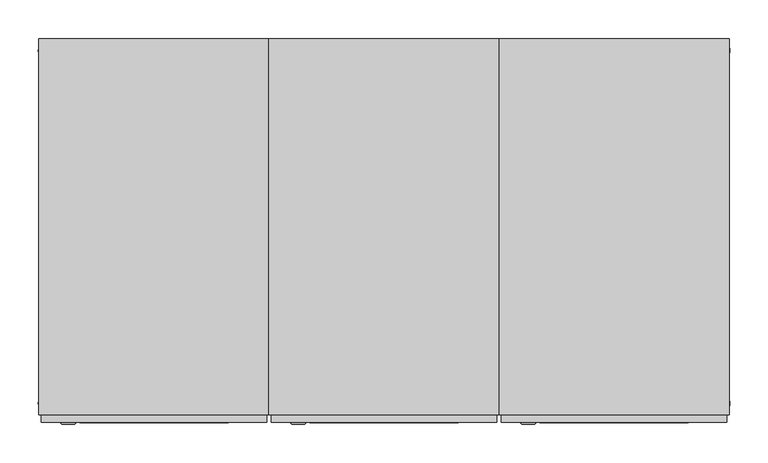
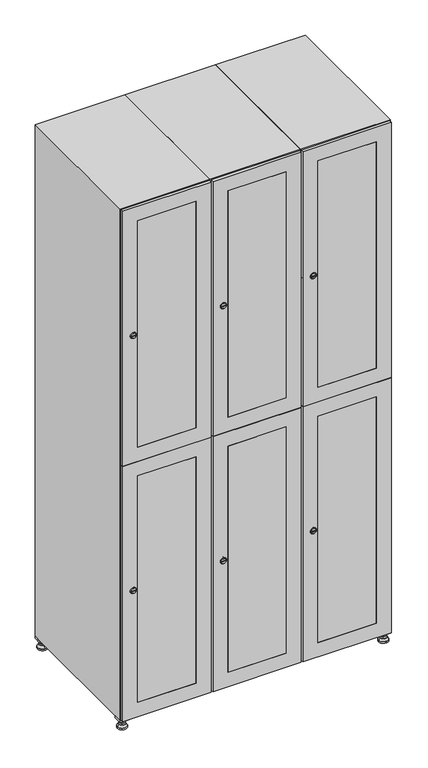
"""IFC4 building model written with IfcOpenShell, lengths in millimetres: furniture geometry."""

from ifc_helpers import new_model, si_unit, point, frame, frame_2d, origin, origin_with_axes, place, context, project, spatial, polyline, circle_curve, trimmed, segment, composite_curve, outline, extrude, faceted_brep, source, transform, mapped, element, save
from ifc_brep_helpers import plane_surface, revolved_surface, advanced_brep


def furniture_f2b403f9(model_context):
    return source(origin(), model_context, "Body", "SolidModel", [
        extrude(outline(polyline([(700.0, 245.0), (700.0, 215.0), (670.0, 215.0), (670.0, 245.0), (700.0, 245.0)]), holes=[polyline([(698.0, 243.0), (672.0, 243.0), (672.0, 217.0), (698.0, 217.0), (698.0, 243.0)])]), frame((0.0, 0.0, 28.5), z_axis=(0.0, 0.0, 1.0), x_axis=(1.0, 0.0, 0.0)), (0.0, 0.0, 1.0), 6.5),
        extrude(outline(polyline([(670.0, -245.0), (670.0, -215.0), (700.0, -215.0), (700.0, -245.0), (670.0, -245.0)]), holes=[polyline([(672.0, -243.0), (698.0, -243.0), (698.0, -217.0), (672.0, -217.0), (672.0, -243.0)])]), frame((0.0, 0.0, 28.5), z_axis=(0.0, 0.0, 1.0), x_axis=(1.0, 0.0, 0.0)), (0.0, 0.0, 1.0), 6.5),
        extrude(outline(polyline([(-170.0, 245.0), (-170.0, 215.0), (-200.0, 215.0), (-200.0, 245.0), (-170.0, 245.0)]), holes=[polyline([(-172.0, 243.0), (-198.0, 243.0), (-198.0, 217.0), (-172.0, 217.0), (-172.0, 243.0)])]), frame((0.0, 0.0, 28.5), z_axis=(0.0, 0.0, 1.0), x_axis=(1.0, 0.0, 0.0)), (0.0, 0.0, 1.0), 6.5),
        extrude(outline(polyline([(-170.0, -215.0), (-170.0, -245.0), (-200.0, -245.0), (-200.0, -215.0), (-170.0, -215.0)]), holes=[polyline([(-198.0, -243.0), (-172.0, -243.0), (-172.0, -217.0), (-198.0, -217.0), (-198.0, -243.0)])]), frame((0.0, 0.0, 28.5), z_axis=(0.0, 0.0, 1.0), x_axis=(1.0, 0.0, 0.0)), (0.0, 0.0, 1.0), 6.5),
        extrude(outline(composite_curve([segment(trimmed(circle_curve(frame_2d((-185.0, 230.0)), 5.0), [point((-180.0, 230.0))], [point((-190.0, 230.0))], False, "CARTESIAN"), True, "CONTINUOUS"), segment(trimmed(circle_curve(frame_2d((-185.0, 230.0)), 5.0), [point((-190.0, 230.0))], [point((-180.0, 230.0))], False, "CARTESIAN"), True, "CONTINUOUS")], self_intersect=False)), frame((0.0, 0.0, 19.6), z_axis=(0.0, 0.0, 1.0), x_axis=(1.0, 0.0, 0.0)), (0.0, 0.0, 1.0), 15.4),
        extrude(outline(composite_curve([segment(trimmed(circle_curve(frame_2d((-185.0, -230.0)), 5.0), [point((-180.0, -230.0))], [point((-190.0, -230.0))], False, "CARTESIAN"), True, "CONTINUOUS"), segment(trimmed(circle_curve(frame_2d((-185.0, -230.0)), 5.0), [point((-190.0, -230.0))], [point((-180.0, -230.0))], False, "CARTESIAN"), True, "CONTINUOUS")], self_intersect=False)), frame((0.0, 0.0, 19.6), z_axis=(0.0, 0.0, 1.0), x_axis=(1.0, 0.0, 0.0)), (0.0, 0.0, 1.0), 15.4),
        extrude(outline(composite_curve([segment(trimmed(circle_curve(frame_2d((685.0, 230.0)), 5.0), [point((690.0, 230.0))], [point((680.0, 230.0))], False, "CARTESIAN"), True, "CONTINUOUS"), segment(trimmed(circle_curve(frame_2d((685.0, 230.0)), 5.0), [point((680.0, 230.0))], [point((690.0, 230.0))], False, "CARTESIAN"), True, "CONTINUOUS")], self_intersect=False)), frame((0.0, 0.0, 19.6), z_axis=(0.0, 0.0, 1.0), x_axis=(1.0, 0.0, 0.0)), (0.0, 0.0, 1.0), 15.4),
        extrude(outline(polyline([(673.4529946, 230.0), (679.2264973, 240.0), (690.7735027, 240.0), (696.5470054, 230.0), (690.7735027, 220.0), (679.2264973, 220.0), (673.4529946, 230.0)])), frame((0.0, 0.0, 13.6), z_axis=(0.0, 0.0, 1.0), x_axis=(1.0, 0.0, 0.0)), (0.0, 0.0, 1.0), 6.0),
        extrude(outline(composite_curve([segment(trimmed(circle_curve(frame_2d((685.0, -230.0)), 5.0), [point((690.0, -230.0))], [point((680.0, -230.0))], False, "CARTESIAN"), True, "CONTINUOUS"), segment(trimmed(circle_curve(frame_2d((685.0, -230.0)), 5.0), [point((680.0, -230.0))], [point((690.0, -230.0))], False, "CARTESIAN"), True, "CONTINUOUS")], self_intersect=False)), frame((0.0, 0.0, 19.6), z_axis=(0.0, 0.0, 1.0), x_axis=(1.0, 0.0, 0.0)), (0.0, 0.0, 1.0), 15.4),
        extrude(outline(polyline([(673.4529946, -230.0), (679.2264973, -220.0), (690.7735027, -220.0), (696.5470054, -230.0), (690.7735027, -240.0), (679.2264973, -240.0), (673.4529946, -230.0)])), frame((0.0, 0.0, 13.6), z_axis=(0.0, 0.0, 1.0), x_axis=(1.0, 0.0, 0.0)), (0.0, 0.0, 1.0), 6.0),
        extrude(outline(composite_curve([segment(trimmed(circle_curve(frame_2d((685.0, 230.0)), 5.0), [point((690.0, 230.0))], [point((680.0, 230.0))], False, "CARTESIAN"), True, "CONTINUOUS"), segment(trimmed(circle_curve(frame_2d((685.0, 230.0)), 5.0), [point((680.0, 230.0))], [point((690.0, 230.0))], False, "CARTESIAN"), True, "CONTINUOUS")], self_intersect=False)), frame((0.0, 0.0, 12.1), z_axis=(0.0, 0.0, 1.0), x_axis=(1.0, 0.0, 0.0)), (0.0, 0.0, 1.0), 1.5),
        extrude(outline(composite_curve([segment(trimmed(circle_curve(frame_2d((685.0, -230.0)), 5.0), [point((690.0, -230.0))], [point((680.0, -230.0))], False, "CARTESIAN"), True, "CONTINUOUS"), segment(trimmed(circle_curve(frame_2d((685.0, -230.0)), 5.0), [point((680.0, -230.0))], [point((690.0, -230.0))], False, "CARTESIAN"), True, "CONTINUOUS")], self_intersect=False)), frame((0.0, 0.0, 12.1), z_axis=(0.0, 0.0, 1.0), x_axis=(1.0, 0.0, 0.0)), (0.0, 0.0, 1.0), 1.5),
        extrude(outline(polyline([(-196.5470054, 230.0), (-190.7735027, 240.0), (-179.2264973, 240.0), (-173.4529946, 230.0), (-179.2264973, 220.0), (-190.7735027, 220.0), (-196.5470054, 230.0)])), frame((0.0, 0.0, 13.6), z_axis=(0.0, 0.0, 1.0), x_axis=(1.0, 0.0, 0.0)), (0.0, 0.0, 1.0), 6.0),
        extrude(outline(polyline([(-196.5470054, -230.0), (-190.7735027, -220.0), (-179.2264973, -220.0), (-173.4529946, -230.0), (-179.2264973, -240.0), (-190.7735027, -240.0), (-196.5470054, -230.0)])), frame((0.0, 0.0, 13.6), z_axis=(0.0, 0.0, 1.0), x_axis=(1.0, 0.0, 0.0)), (0.0, 0.0, 1.0), 6.0),
        extrude(outline(composite_curve([segment(trimmed(circle_curve(frame_2d((-185.0, 230.0)), 5.0), [point((-185.0, 235.0))], [point((-185.0, 225.0))], False, "CARTESIAN"), True, "CONTINUOUS"), segment(trimmed(circle_curve(frame_2d((-185.0, 230.0)), 5.0), [point((-185.0, 225.0))], [point((-185.0, 235.0))], False, "CARTESIAN"), True, "CONTINUOUS")], self_intersect=False)), frame((0.0, 0.0, 12.1), z_axis=(0.0, 0.0, 1.0), x_axis=(1.0, 0.0, 0.0)), (0.0, 0.0, 1.0), 1.5),
        extrude(outline(composite_curve([segment(trimmed(circle_curve(frame_2d((-185.0, -230.0)), 5.0), [point((-180.0, -230.0))], [point((-190.0, -230.0))], False, "CARTESIAN"), True, "CONTINUOUS"), segment(trimmed(circle_curve(frame_2d((-185.0, -230.0)), 5.0), [point((-190.0, -230.0))], [point((-180.0, -230.0))], False, "CARTESIAN"), True, "CONTINUOUS")], self_intersect=False)), frame((0.0, 0.0, 12.1), z_axis=(0.0, 0.0, 1.0), x_axis=(1.0, 0.0, 0.0)), (0.0, 0.0, 1.0), 1.5),
        extrude(outline(composite_curve([segment(trimmed(circle_curve(frame_2d((685.0, 230.0)), 15.75), [point((700.75, 230.0))], [point((669.25, 230.0))], False, "CARTESIAN"), True, "CONTINUOUS"), segment(trimmed(circle_curve(frame_2d((685.0, 230.0)), 15.75), [point((669.25, 230.0))], [point((700.75, 230.0))], False, "CARTESIAN"), True, "CONTINUOUS")], self_intersect=False)), origin_with_axes(), (0.0, 0.0, 1.0), 5.1),
        extrude(outline(composite_curve([segment(trimmed(circle_curve(frame_2d((685.0, -230.0)), 15.75), [point((685.0, -214.25))], [point((685.0, -245.75))], False, "CARTESIAN"), True, "CONTINUOUS"), segment(trimmed(circle_curve(frame_2d((685.0, -230.0)), 15.75), [point((685.0, -245.75))], [point((685.0, -214.25))], False, "CARTESIAN"), True, "CONTINUOUS")], self_intersect=False)), origin_with_axes(), (0.0, 0.0, 1.0), 5.1),
        extrude(outline(composite_curve([segment(trimmed(circle_curve(frame_2d((-185.0, -230.0)), 15.75), [point((-169.25, -230.0))], [point((-200.75, -230.0))], False, "CARTESIAN"), True, "CONTINUOUS"), segment(trimmed(circle_curve(frame_2d((-185.0, -230.0)), 15.75), [point((-200.75, -230.0))], [point((-169.25, -230.0))], False, "CARTESIAN"), True, "CONTINUOUS")], self_intersect=False)), origin_with_axes(), (0.0, 0.0, 1.0), 5.1),
        extrude(outline(composite_curve([segment(trimmed(circle_curve(frame_2d((-185.0, 230.0)), 15.75), [point((-169.25, 230.0))], [point((-200.75, 230.0))], False, "CARTESIAN"), True, "CONTINUOUS"), segment(trimmed(circle_curve(frame_2d((-185.0, 230.0)), 15.75), [point((-200.75, 230.0))], [point((-169.25, 230.0))], False, "CARTESIAN"), True, "CONTINUOUS")], self_intersect=False)), origin_with_axes(), (0.0, 0.0, 1.0), 5.1),
        advanced_brep(
        [(-185.0, 239.5, 12.1), (-185.0, 220.5, 12.1), (-185.0, 214.25, 5.1), (-185.0, 245.75, 5.1)],
        [
            (0, 1, circle_curve(frame((-185.0, 230.0, 12.1), z_axis=(0.0, 0.0, -1.0), x_axis=(0.0, 1.0, 0.0)), 9.5)),
            (1, 2),
            (2, 3, circle_curve(frame((-185.0, 230.0, 5.1), z_axis=(0.0, 0.0, 1.0), x_axis=(0.0, 1.0, 0.0)), 15.75)),
            (3, 0),
            (1, 0, circle_curve(frame((-185.0, 230.0, 12.1), z_axis=(0.0, 0.0, -1.0), x_axis=(0.0, -1.0, 0.0)), 9.5)),
            (3, 2, circle_curve(frame((-185.0, 230.0, 5.1), z_axis=(0.0, 0.0, 1.0), x_axis=(0.0, -1.0, 0.0)), 15.75)),
        ],
        [
            revolved_surface(polyline([(-185.0, 220.5, 12.099999999999998), (-185.0, 214.25, 5.099999999999998)]), (-185.0, 230.0, 22.74), (0.0, 0.0, -1.0)),
            revolved_surface(polyline([(-185.0, 239.5, 12.099999999999998), (-185.0, 245.75, 5.099999999999998)]), (-185.0, 230.0, 22.74), (0.0, 0.0, -1.0)),
            plane_surface(frame((-185.0, 230.0, 5.1), z_axis=(0.0, 0.0, -1.0), x_axis=(1.0, 0.0, 0.0))),
            plane_surface(frame((-185.0, 230.0, 12.1), z_axis=(0.0, 0.0, 1.0), x_axis=(1.0, 0.0, 0.0))),
        ],
        [
            (0, [[1, 2, 3, 4]]),
            (1, [[5, -4, 6, -2]]),
            (2, [[-3, -6]]),
            (3, [[-5, -1]]),
        ],
    ),
        advanced_brep(
        [(685.0, 239.5, 12.1), (685.0, 220.5, 12.1), (685.0, 214.25, 5.1), (685.0, 245.75, 5.1)],
        [
            (0, 1, circle_curve(frame((685.0, 230.0, 12.1), z_axis=(0.0, 0.0, -1.0), x_axis=(0.0, 1.0, 0.0)), 9.5)),
            (1, 2),
            (2, 3, circle_curve(frame((685.0, 230.0, 5.1), z_axis=(0.0, 0.0, 1.0), x_axis=(0.0, 1.0, 0.0)), 15.75)),
            (3, 0),
            (1, 0, circle_curve(frame((685.0, 230.0, 12.1), z_axis=(0.0, 0.0, -1.0), x_axis=(0.0, -1.0, 0.0)), 9.5)),
            (3, 2, circle_curve(frame((685.0, 230.0, 5.1), z_axis=(0.0, 0.0, 1.0), x_axis=(0.0, -1.0, 0.0)), 15.75)),
        ],
        [
            revolved_surface(polyline([(685.0, 220.5, 12.099999999999998), (685.0, 214.25, 5.099999999999998)]), (685.0, 230.0, 22.74), (0.0, 0.0, -1.0)),
            revolved_surface(polyline([(685.0, 239.5, 12.099999999999998), (685.0, 245.75, 5.099999999999998)]), (685.0, 230.0, 22.74), (0.0, 0.0, -1.0)),
            plane_surface(frame((685.0, 230.0, 5.1), z_axis=(0.0, 0.0, -1.0), x_axis=(1.0, 0.0, 0.0))),
            plane_surface(frame((685.0, 230.0, 12.1), z_axis=(0.0, 0.0, 1.0), x_axis=(1.0, 0.0, 0.0))),
        ],
        [
            (0, [[1, 2, 3, 4]]),
            (1, [[5, -4, 6, -2]]),
            (2, [[-3, -6]]),
            (3, [[-5, -1]]),
        ],
    ),
        advanced_brep(
        [(700.75, -230.0, 5.1), (669.25, -230.0, 5.1), (675.5, -230.0, 12.1), (694.5, -230.0, 12.1)],
        [
            (0, 1, circle_curve(frame((685.0, -230.0, 5.1), z_axis=(0.0, 0.0, 1.0), x_axis=(1.0, 0.0, 0.0)), 15.75)),
            (1, 2),
            (2, 3, circle_curve(frame((685.0, -230.0, 12.1), z_axis=(0.0, 0.0, -1.0), x_axis=(1.0, 0.0, 0.0)), 9.5)),
            (3, 0),
            (1, 0, circle_curve(frame((685.0, -230.0, 5.1), z_axis=(0.0, 0.0, 1.0), x_axis=(-1.0, 0.0, 0.0)), 15.75)),
            (3, 2, circle_curve(frame((685.0, -230.0, 12.1), z_axis=(0.0, 0.0, -1.0), x_axis=(-1.0, 0.0, 0.0)), 9.5)),
        ],
        [
            revolved_surface(polyline([(694.5, -230.0, 12.099999999999998), (700.75, -230.0, 5.099999999999998)]), (685.0, -230.0, 22.74), (0.0, 0.0, -1.0)),
            revolved_surface(polyline([(675.5, -230.0, 12.099999999999998), (669.25, -230.0, 5.099999999999998)]), (685.0, -230.0, 22.74), (0.0, 0.0, -1.0)),
            plane_surface(frame((685.0, -230.0, 12.1), z_axis=(0.0, 0.0, 1.0), x_axis=(0.0, 1.0, 0.0))),
            plane_surface(frame((685.0, -230.0, 5.1), z_axis=(0.0, 0.0, -1.0), x_axis=(0.0, 1.0, 0.0))),
        ],
        [
            (0, [[1, 2, 3, 4]]),
            (1, [[5, -4, 6, -2]]),
            (2, [[-3, -6]]),
            (3, [[-5, -1]]),
        ],
    ),
        advanced_brep(
        [(-169.25, -230.0, 5.1), (-200.75, -230.0, 5.1), (-194.5, -230.0, 12.1), (-175.5, -230.0, 12.1)],
        [
            (0, 1, circle_curve(frame((-185.0, -230.0, 5.1), z_axis=(0.0, 0.0, 1.0), x_axis=(1.0, 0.0, 0.0)), 15.75)),
            (1, 2),
            (2, 3, circle_curve(frame((-185.0, -230.0, 12.1), z_axis=(0.0, 0.0, -1.0), x_axis=(1.0, 0.0, 0.0)), 9.5)),
            (3, 0),
            (1, 0, circle_curve(frame((-185.0, -230.0, 5.1), z_axis=(0.0, 0.0, 1.0), x_axis=(-1.0, 0.0, 0.0)), 15.75)),
            (3, 2, circle_curve(frame((-185.0, -230.0, 12.1), z_axis=(0.0, 0.0, -1.0), x_axis=(-1.0, 0.0, 0.0)), 9.5)),
        ],
        [
            revolved_surface(polyline([(-175.5, -230.0, 12.099999999999998), (-169.25, -230.0, 5.099999999999998)]), (-185.0, -230.0, 22.74), (0.0, 0.0, -1.0)),
            revolved_surface(polyline([(-194.5, -230.0, 12.099999999999998), (-200.75, -230.0, 5.099999999999998)]), (-185.0, -230.0, 22.74), (0.0, 0.0, -1.0)),
            plane_surface(frame((-185.0, -230.0, 12.1), z_axis=(0.0, 0.0, 1.0), x_axis=(0.0, 1.0, 0.0))),
            plane_surface(frame((-185.0, -230.0, 5.1), z_axis=(0.0, 0.0, -1.0), x_axis=(0.0, 1.0, 0.0))),
        ],
        [
            (0, [[1, 2, 3, 4]]),
            (1, [[5, -4, 6, -2]]),
            (2, [[-3, -6]]),
            (3, [[-5, -1]]),
        ],
    ),
        extrude(outline(composite_curve([segment(trimmed(circle_curve(frame_2d((1383.5, 411.2010534)), 7.0), [point((1390.5, 411.2010534))], [point((1376.5, 411.2010534))], False, "CARTESIAN"), True, "CONTINUOUS"), segment(polyline([(1376.5, 411.2010534), (1376.5, 439.2010534)]), True, "CONTINUOUS"), segment(trimmed(circle_curve(frame_2d((1383.5, 439.2010534)), 7.0), [point((1376.5, 439.2010534))], [point((1390.5, 439.2010534))], False, "CARTESIAN"), True, "CONTINUOUS"), segment(polyline([(1390.5, 439.2010534), (1390.5, 411.2010534)]), True, "CONTINUOUS")], self_intersect=False)), frame((0.0, -245.0, 0.0), z_axis=(0.0, 1.0, 0.0), x_axis=(0.0, 0.0, 1.0)), (0.0, 0.0, 1.0), 2.0),
        advanced_brep(
        [(446.5, -257.2, 1383.5), (429.5, -257.2, 1383.5), (433.0, -257.2, 1382.25), (433.0, -257.2, 1384.75), (443.0, -257.2, 1384.75), (443.0, -257.2, 1382.25), (448.5, -255.0, 1383.5), (427.5, -255.0, 1383.5), (433.0, -255.0, 1384.75), (433.0, -255.0, 1382.25), (443.0, -255.0, 1382.25), (443.0, -255.0, 1384.75)],
        [
            (0, 1, circle_curve(frame((438.0, -257.2, 1383.5), z_axis=(0.0, -1.0, 0.0), x_axis=(1.0, 0.0, 0.0)), 8.5)),
            (1, 0, circle_curve(frame((438.0, -257.2, 1383.5), z_axis=(0.0, -1.0, 0.0), x_axis=(-1.0, 0.0, 0.0)), 8.5)),
            (2, 3),
            (3, 4),
            (4, 5),
            (5, 2),
            (6, 7, circle_curve(frame((438.0, -255.0, 1383.5), z_axis=(0.0, 1.0, 0.0), x_axis=(-1.0, 0.0, 0.0)), 10.5)),
            (7, 6, circle_curve(frame((438.0, -255.0, 1383.5), z_axis=(0.0, 1.0, 0.0), x_axis=(1.0, 0.0, 0.0)), 10.5)),
            (8, 9),
            (9, 10),
            (10, 11),
            (11, 8),
            (0, 6),
            (7, 1),
            (8, 3),
            (2, 9),
            (11, 4),
            (10, 5),
        ],
        [
            plane_surface(frame((438.0, -257.2, 1383.5), z_axis=(0.0, -1.0, 0.0), x_axis=(0.0, 0.0, 1.0))),
            plane_surface(frame((438.0, -255.0, 1383.5), z_axis=(0.0, 1.0, 0.0), x_axis=(0.0, 0.0, 1.0))),
            revolved_surface(polyline([(446.5, -257.2, 1383.5), (448.5, -255.0, 1383.5)]), (438.0, -266.55, 1383.5), (0.0, 1.0, 0.0)),
            revolved_surface(polyline([(429.5, -257.2, 1383.5), (427.5, -255.0, 1383.5)]), (438.0, -266.55, 1383.5), (0.0, 1.0, 0.0)),
            plane_surface(frame((433.0, -255.0, 1382.25), z_axis=(1.0, 0.0, 0.0), x_axis=(0.0, -1.0, 0.0))),
            plane_surface(frame((433.0, -255.0, 1384.75), z_axis=(0.0, 0.0, -1.0), x_axis=(0.0, -1.0, 0.0))),
            plane_surface(frame((443.0, -255.0, 1384.75), z_axis=(-1.0, 0.0, 0.0), x_axis=(0.0, -1.0, 0.0))),
            plane_surface(frame((443.0, -255.0, 1382.25), z_axis=(0.0, 0.0, 1.0), x_axis=(0.0, -1.0, 0.0))),
        ],
        [
            (0, [[1, 2], [3, 4, 5, 6]]),
            (1, [[7, 8], [9, 10, 11, 12]]),
            (2, [[-1, 13, -8, 14]]),
            (3, [[-2, -14, -7, -13]]),
            (4, [[15, -3, 16, -9]]),
            (5, [[-15, -12, 17, -4]]),
            (6, [[-17, -11, 18, -5]]),
            (7, [[-16, -6, -18, -10]]),
        ],
    ),
        extrude(outline(composite_curve([segment(trimmed(circle_curve(frame_2d((486.5, 411.2010534)), 7.0), [point((493.5, 411.2010534))], [point((479.5, 411.2010534))], False, "CARTESIAN"), True, "CONTINUOUS"), segment(polyline([(479.5, 411.2010534), (479.5, 439.2010534)]), True, "CONTINUOUS"), segment(trimmed(circle_curve(frame_2d((486.5, 439.2010534)), 7.0), [point((479.5, 439.2010534))], [point((493.5, 439.2010534))], False, "CARTESIAN"), True, "CONTINUOUS"), segment(polyline([(493.5, 439.2010534), (493.5, 411.2010534)]), True, "CONTINUOUS")], self_intersect=False)), frame((0.0, -245.0, 0.0), z_axis=(0.0, 1.0, 0.0), x_axis=(0.0, 0.0, 1.0)), (0.0, 0.0, 1.0), 2.0),
        advanced_brep(
        [(446.5, -257.2, 486.5), (429.5, -257.2, 486.5), (433.0, -257.2, 485.25), (433.0, -257.2, 487.75), (443.0, -257.2, 487.75), (443.0, -257.2, 485.25), (448.5, -255.0, 486.5), (427.5, -255.0, 486.5), (433.0, -255.0, 487.75), (433.0, -255.0, 485.25), (443.0, -255.0, 485.25), (443.0, -255.0, 487.75)],
        [
            (0, 1, circle_curve(frame((438.0, -257.2, 486.5), z_axis=(0.0, -1.0, 0.0), x_axis=(1.0, 0.0, 0.0)), 8.5)),
            (1, 0, circle_curve(frame((438.0, -257.2, 486.5), z_axis=(0.0, -1.0, 0.0), x_axis=(-1.0, 0.0, 0.0)), 8.5)),
            (2, 3),
            (3, 4),
            (4, 5),
            (5, 2),
            (6, 7, circle_curve(frame((438.0, -255.0, 486.5), z_axis=(0.0, 1.0, 0.0), x_axis=(-1.0, 0.0, 0.0)), 10.5)),
            (7, 6, circle_curve(frame((438.0, -255.0, 486.5), z_axis=(0.0, 1.0, 0.0), x_axis=(1.0, 0.0, 0.0)), 10.5)),
            (8, 9),
            (9, 10),
            (10, 11),
            (11, 8),
            (0, 6),
            (7, 1),
            (8, 3),
            (2, 9),
            (11, 4),
            (10, 5),
        ],
        [
            plane_surface(frame((438.0, -257.2, 486.5), z_axis=(0.0, -1.0, 0.0), x_axis=(0.0, 0.0, 1.0))),
            plane_surface(frame((438.0, -255.0, 486.5), z_axis=(0.0, 1.0, 0.0), x_axis=(0.0, 0.0, 1.0))),
            revolved_surface(polyline([(446.5, -257.2, 486.5), (448.5, -255.0, 486.5)]), (438.0, -266.55, 486.5), (0.0, 1.0, 0.0)),
            revolved_surface(polyline([(429.5, -257.2, 486.5), (427.5, -255.0, 486.5)]), (438.0, -266.55, 486.5), (0.0, 1.0, 0.0)),
            plane_surface(frame((433.0, -255.0, 485.25), z_axis=(1.0, 0.0, 0.0), x_axis=(0.0, -1.0, 0.0))),
            plane_surface(frame((433.0, -255.0, 487.75), z_axis=(0.0, 0.0, -1.0), x_axis=(0.0, -1.0, 0.0))),
            plane_surface(frame((443.0, -255.0, 487.75), z_axis=(-1.0, 0.0, 0.0), x_axis=(0.0, -1.0, 0.0))),
            plane_surface(frame((443.0, -255.0, 485.25), z_axis=(0.0, 0.0, 1.0), x_axis=(0.0, -1.0, 0.0))),
        ],
        [
            (0, [[1, 2], [3, 4, 5, 6]]),
            (1, [[7, 8], [9, 10, 11, 12]]),
            (2, [[-1, 13, -8, 14]]),
            (3, [[-2, -14, -7, -13]]),
            (4, [[15, -3, 16, -9]]),
            (5, [[-15, -12, 17, -4]]),
            (6, [[-17, -11, 18, -5]]),
            (7, [[-16, -6, -18, -10]]),
        ],
    ),
        extrude(outline(polyline([(935.5, 697.0), (1832.0, 697.0), (1832.0, 403.0), (935.5, 403.0), (935.5, 697.0)]), holes=[polyline([(1782.0, 453.0), (1782.0, 647.0), (985.5, 647.0), (985.5, 453.0), (1782.0, 453.0)])]), frame((0.0, -255.0, 0.0), z_axis=(0.0, 1.0, 0.0), x_axis=(0.0, 0.0, 1.0)), (0.0, 0.0, 1.0), 10.0),
        extrude(outline(polyline([(934.5, 403.0), (38.0, 403.0), (38.0, 697.0), (934.5, 697.0), (934.5, 403.0)]), holes=[polyline([(88.0, 453.0), (884.5, 453.0), (884.5, 647.0), (88.0, 647.0), (88.0, 453.0)])]), frame((0.0, -255.0, 0.0), z_axis=(0.0, 1.0, 0.0), x_axis=(0.0, 0.0, 1.0)), (0.0, 0.0, 1.0), 10.0),
        extrude(outline(polyline([(647.0, -255.0), (453.0, -255.0), (453.0, -245.0), (647.0, -245.0), (647.0, -255.0)])), frame((0.0, 0.0, 985.5), z_axis=(0.0, 0.0, 1.0), x_axis=(1.0, 0.0, 0.0)), (0.0, 0.0, 1.0), 796.5),
        extrude(outline(polyline([(647.0, -255.0), (453.0, -255.0), (453.0, -245.0), (647.0, -245.0), (647.0, -255.0)])), frame((0.0, 0.0, 88.0), z_axis=(0.0, 0.0, 1.0), x_axis=(1.0, 0.0, 0.0)), (0.0, 0.0, 1.0), 796.5),
        extrude(outline(polyline([(679.6, 242.0), (679.6, -235.0), (420.4, -235.0), (420.4, 242.0), (679.6, 242.0)])), frame((0.0, 0.0, 924.8), z_axis=(0.0, 0.0, 1.0), x_axis=(1.0, 0.0, 0.0)), (0.0, 0.0, 1.0), 20.4),
        faceted_brep([(700.0, -245.0, 35.0), (700.0, -245.0, 1835.0), (400.0, -245.0, 1835.0), (400.0, -245.0, 35.0), (679.6, -245.0, 1804.8), (679.6, -245.0, 65.2), (420.4, -245.0, 65.2), (420.4, -245.0, 1804.8), (700.0, 245.0, 35.0), (400.0, 245.0, 35.0), (700.0, 245.0, 1835.0), (400.0, 245.0, 1835.0), (679.6, 242.0, 1804.8), (679.6, 242.0, 65.2), (400.0, 245.0, 1804.8), (420.4, 242.0, 1804.8), (420.4, 242.0, 65.2)], [[[0, 1, 2, 3], [4, 5, 6, 7]], [[8, 0, 3, 9]], [[1, 0, 8, 10]], [[1, 10, 11, 2]], [[4, 12, 13, 5]], [[9, 3, 2, 11, 14]], [[10, 8, 9, 14, 11]], [[12, 15, 16, 13]], [[15, 7, 6, 16]], [[4, 7, 15, 12]], [[6, 5, 13, 16]]]),
        extrude(outline(composite_curve([segment(trimmed(circle_curve(frame_2d((1383.5, 111.2010534)), 7.0), [point((1390.5, 111.2010534))], [point((1376.5, 111.2010534))], False, "CARTESIAN"), True, "CONTINUOUS"), segment(polyline([(1376.5, 111.2010534), (1376.5, 139.2010534)]), True, "CONTINUOUS"), segment(trimmed(circle_curve(frame_2d((1383.5, 139.2010534)), 7.0), [point((1376.5, 139.2010534))], [point((1390.5, 139.2010534))], False, "CARTESIAN"), True, "CONTINUOUS"), segment(polyline([(1390.5, 139.2010534), (1390.5, 111.2010534)]), True, "CONTINUOUS")], self_intersect=False)), frame((0.0, -245.0, 0.0), z_axis=(0.0, 1.0, 0.0), x_axis=(0.0, 0.0, 1.0)), (0.0, 0.0, 1.0), 2.0),
        advanced_brep(
        [(146.5, -257.2, 1383.5), (129.5, -257.2, 1383.5), (133.0, -257.2, 1382.25), (133.0, -257.2, 1384.75), (143.0, -257.2, 1384.75), (143.0, -257.2, 1382.25), (148.5, -255.0, 1383.5), (127.5, -255.0, 1383.5), (133.0, -255.0, 1384.75), (133.0, -255.0, 1382.25), (143.0, -255.0, 1382.25), (143.0, -255.0, 1384.75)],
        [
            (0, 1, circle_curve(frame((138.0, -257.2, 1383.5), z_axis=(0.0, -1.0, 0.0), x_axis=(1.0, 0.0, 0.0)), 8.5)),
            (1, 0, circle_curve(frame((138.0, -257.2, 1383.5), z_axis=(0.0, -1.0, 0.0), x_axis=(-1.0, 0.0, 0.0)), 8.5)),
            (2, 3),
            (3, 4),
            (4, 5),
            (5, 2),
            (6, 7, circle_curve(frame((138.0, -255.0, 1383.5), z_axis=(0.0, 1.0, 0.0), x_axis=(-1.0, 0.0, 0.0)), 10.5)),
            (7, 6, circle_curve(frame((138.0, -255.0, 1383.5), z_axis=(0.0, 1.0, 0.0), x_axis=(1.0, 0.0, 0.0)), 10.5)),
            (8, 9),
            (9, 10),
            (10, 11),
            (11, 8),
            (0, 6),
            (7, 1),
            (8, 3),
            (2, 9),
            (11, 4),
            (10, 5),
        ],
        [
            plane_surface(frame((138.0, -257.2, 1383.5), z_axis=(0.0, -1.0, 0.0), x_axis=(0.0, 0.0, 1.0))),
            plane_surface(frame((138.0, -255.0, 1383.5), z_axis=(0.0, 1.0, 0.0), x_axis=(0.0, 0.0, 1.0))),
            revolved_surface(polyline([(146.5, -257.2, 1383.5), (148.5, -255.0, 1383.5)]), (138.0, -266.55, 1383.5), (0.0, 1.0, 0.0)),
            revolved_surface(polyline([(129.5, -257.2, 1383.5), (127.5, -255.0, 1383.5)]), (138.0, -266.55, 1383.5), (0.0, 1.0, 0.0)),
            plane_surface(frame((133.0, -255.0, 1382.25), z_axis=(1.0, 0.0, 0.0), x_axis=(0.0, -1.0, 0.0))),
            plane_surface(frame((133.0, -255.0, 1384.75), z_axis=(0.0, 0.0, -1.0), x_axis=(0.0, -1.0, 0.0))),
            plane_surface(frame((143.0, -255.0, 1384.75), z_axis=(-1.0, 0.0, 0.0), x_axis=(0.0, -1.0, 0.0))),
            plane_surface(frame((143.0, -255.0, 1382.25), z_axis=(0.0, 0.0, 1.0), x_axis=(0.0, -1.0, 0.0))),
        ],
        [
            (0, [[1, 2], [3, 4, 5, 6]]),
            (1, [[7, 8], [9, 10, 11, 12]]),
            (2, [[-1, 13, -8, 14]]),
            (3, [[-2, -14, -7, -13]]),
            (4, [[15, -3, 16, -9]]),
            (5, [[-15, -12, 17, -4]]),
            (6, [[-17, -11, 18, -5]]),
            (7, [[-16, -6, -18, -10]]),
        ],
    ),
        extrude(outline(composite_curve([segment(trimmed(circle_curve(frame_2d((486.5, 111.2010534)), 7.0), [point((493.5, 111.2010534))], [point((479.5, 111.2010534))], False, "CARTESIAN"), True, "CONTINUOUS"), segment(polyline([(479.5, 111.2010534), (479.5, 139.2010534)]), True, "CONTINUOUS"), segment(trimmed(circle_curve(frame_2d((486.5, 139.2010534)), 7.0), [point((479.5, 139.2010534))], [point((493.5, 139.2010534))], False, "CARTESIAN"), True, "CONTINUOUS"), segment(polyline([(493.5, 139.2010534), (493.5, 111.2010534)]), True, "CONTINUOUS")], self_intersect=False)), frame((0.0, -245.0, 0.0), z_axis=(0.0, 1.0, 0.0), x_axis=(0.0, 0.0, 1.0)), (0.0, 0.0, 1.0), 2.0),
        advanced_brep(
        [(146.5, -257.2, 486.5), (129.5, -257.2, 486.5), (133.0, -257.2, 485.25), (133.0, -257.2, 487.75), (143.0, -257.2, 487.75), (143.0, -257.2, 485.25), (148.5, -255.0, 486.5), (127.5, -255.0, 486.5), (133.0, -255.0, 487.75), (133.0, -255.0, 485.25), (143.0, -255.0, 485.25), (143.0, -255.0, 487.75)],
        [
            (0, 1, circle_curve(frame((138.0, -257.2, 486.5), z_axis=(0.0, -1.0, 0.0), x_axis=(1.0, 0.0, 0.0)), 8.5)),
            (1, 0, circle_curve(frame((138.0, -257.2, 486.5), z_axis=(0.0, -1.0, 0.0), x_axis=(-1.0, 0.0, 0.0)), 8.5)),
            (2, 3),
            (3, 4),
            (4, 5),
            (5, 2),
            (6, 7, circle_curve(frame((138.0, -255.0, 486.5), z_axis=(0.0, 1.0, 0.0), x_axis=(-1.0, 0.0, 0.0)), 10.5)),
            (7, 6, circle_curve(frame((138.0, -255.0, 486.5), z_axis=(0.0, 1.0, 0.0), x_axis=(1.0, 0.0, 0.0)), 10.5)),
            (8, 9),
            (9, 10),
            (10, 11),
            (11, 8),
            (0, 6),
            (7, 1),
            (8, 3),
            (2, 9),
            (11, 4),
            (10, 5),
        ],
        [
            plane_surface(frame((138.0, -257.2, 486.5), z_axis=(0.0, -1.0, 0.0), x_axis=(0.0, 0.0, 1.0))),
            plane_surface(frame((138.0, -255.0, 486.5), z_axis=(0.0, 1.0, 0.0), x_axis=(0.0, 0.0, 1.0))),
            revolved_surface(polyline([(146.5, -257.2, 486.5), (148.5, -255.0, 486.5)]), (138.0, -266.55, 486.5), (0.0, 1.0, 0.0)),
            revolved_surface(polyline([(129.5, -257.2, 486.5), (127.5, -255.0, 486.5)]), (138.0, -266.55, 486.5), (0.0, 1.0, 0.0)),
            plane_surface(frame((133.0, -255.0, 485.25), z_axis=(1.0, 0.0, 0.0), x_axis=(0.0, -1.0, 0.0))),
            plane_surface(frame((133.0, -255.0, 487.75), z_axis=(0.0, 0.0, -1.0), x_axis=(0.0, -1.0, 0.0))),
            plane_surface(frame((143.0, -255.0, 487.75), z_axis=(-1.0, 0.0, 0.0), x_axis=(0.0, -1.0, 0.0))),
            plane_surface(frame((143.0, -255.0, 485.25), z_axis=(0.0, 0.0, 1.0), x_axis=(0.0, -1.0, 0.0))),
        ],
        [
            (0, [[1, 2], [3, 4, 5, 6]]),
            (1, [[7, 8], [9, 10, 11, 12]]),
            (2, [[-1, 13, -8, 14]]),
            (3, [[-2, -14, -7, -13]]),
            (4, [[15, -3, 16, -9]]),
            (5, [[-15, -12, 17, -4]]),
            (6, [[-17, -11, 18, -5]]),
            (7, [[-16, -6, -18, -10]]),
        ],
    ),
        extrude(outline(polyline([(935.5, 397.0), (1832.0, 397.0), (1832.0, 103.0), (935.5, 103.0), (935.5, 397.0)]), holes=[polyline([(1782.0, 153.0), (1782.0, 347.0), (985.5, 347.0), (985.5, 153.0), (1782.0, 153.0)])]), frame((0.0, -255.0, 0.0), z_axis=(0.0, 1.0, 0.0), x_axis=(0.0, 0.0, 1.0)), (0.0, 0.0, 1.0), 10.0),
        extrude(outline(polyline([(934.5, 103.0), (38.0, 103.0), (38.0, 397.0), (934.5, 397.0), (934.5, 103.0)]), holes=[polyline([(88.0, 153.0), (884.5, 153.0), (884.5, 347.0), (88.0, 347.0), (88.0, 153.0)])]), frame((0.0, -255.0, 0.0), z_axis=(0.0, 1.0, 0.0), x_axis=(0.0, 0.0, 1.0)), (0.0, 0.0, 1.0), 10.0),
        extrude(outline(polyline([(347.0, -255.0), (153.0, -255.0), (153.0, -245.0), (347.0, -245.0), (347.0, -255.0)])), frame((0.0, 0.0, 985.5), z_axis=(0.0, 0.0, 1.0), x_axis=(1.0, 0.0, 0.0)), (0.0, 0.0, 1.0), 796.5),
        extrude(outline(polyline([(347.0, -255.0), (153.0, -255.0), (153.0, -245.0), (347.0, -245.0), (347.0, -255.0)])), frame((0.0, 0.0, 88.0), z_axis=(0.0, 0.0, 1.0), x_axis=(1.0, 0.0, 0.0)), (0.0, 0.0, 1.0), 796.5),
        extrude(outline(polyline([(379.6, 242.0), (379.6, -235.0), (120.4, -235.0), (120.4, 242.0), (379.6, 242.0)])), frame((0.0, 0.0, 924.8), z_axis=(0.0, 0.0, 1.0), x_axis=(1.0, 0.0, 0.0)), (0.0, 0.0, 1.0), 20.4),
        faceted_brep([(400.0, -245.0, 35.0), (400.0, -245.0, 1835.0), (100.0, -245.0, 1835.0), (100.0, -245.0, 35.0), (379.6, -245.0, 1804.8), (379.6, -245.0, 65.2), (120.4, -245.0, 65.2), (120.4, -245.0, 1804.8), (400.0, 245.0, 35.0), (100.0, 245.0, 35.0), (400.0, 245.0, 1835.0), (100.0, 245.0, 1835.0), (379.6, 242.0, 1804.8), (379.6, 242.0, 65.2), (100.0, 245.0, 1804.8), (120.4, 242.0, 1804.8), (120.4, 242.0, 65.2)], [[[0, 1, 2, 3], [4, 5, 6, 7]], [[8, 0, 3, 9]], [[1, 0, 8, 10]], [[1, 10, 11, 2]], [[4, 12, 13, 5]], [[9, 3, 2, 11, 14]], [[10, 8, 9, 14, 11]], [[12, 15, 16, 13]], [[15, 7, 6, 16]], [[4, 7, 15, 12]], [[6, 5, 13, 16]]]),
        extrude(outline(composite_curve([segment(trimmed(circle_curve(frame_2d((1383.5, -188.7989466)), 7.0), [point((1390.5, -188.7989466))], [point((1376.5, -188.7989466))], False, "CARTESIAN"), True, "CONTINUOUS"), segment(polyline([(1376.5, -188.7989466), (1376.5, -160.7989466)]), True, "CONTINUOUS"), segment(trimmed(circle_curve(frame_2d((1383.5, -160.7989466)), 7.0), [point((1376.5, -160.7989466))], [point((1390.5, -160.7989466))], False, "CARTESIAN"), True, "CONTINUOUS"), segment(polyline([(1390.5, -160.7989466), (1390.5, -188.7989466)]), True, "CONTINUOUS")], self_intersect=False)), frame((0.0, -245.0, 0.0), z_axis=(0.0, 1.0, 0.0), x_axis=(0.0, 0.0, 1.0)), (0.0, 0.0, 1.0), 2.0),
        advanced_brep(
        [(-153.5, -257.2, 1383.5), (-170.5, -257.2, 1383.5), (-167.0, -257.2, 1382.25), (-167.0, -257.2, 1384.75), (-157.0, -257.2, 1384.75), (-157.0, -257.2, 1382.25), (-151.5, -255.0, 1383.5), (-172.5, -255.0, 1383.5), (-167.0, -255.0, 1384.75), (-167.0, -255.0, 1382.25), (-157.0, -255.0, 1382.25), (-157.0, -255.0, 1384.75)],
        [
            (0, 1, circle_curve(frame((-162.0, -257.2, 1383.5), z_axis=(0.0, -1.0, 0.0), x_axis=(1.0, 0.0, 0.0)), 8.5)),
            (1, 0, circle_curve(frame((-162.0, -257.2, 1383.5), z_axis=(0.0, -1.0, 0.0), x_axis=(-1.0, 0.0, 0.0)), 8.5)),
            (2, 3),
            (3, 4),
            (4, 5),
            (5, 2),
            (6, 7, circle_curve(frame((-162.0, -255.0, 1383.5), z_axis=(0.0, 1.0, 0.0), x_axis=(-1.0, 0.0, 0.0)), 10.5)),
            (7, 6, circle_curve(frame((-162.0, -255.0, 1383.5), z_axis=(0.0, 1.0, 0.0), x_axis=(1.0, 0.0, 0.0)), 10.5)),
            (8, 9),
            (9, 10),
            (10, 11),
            (11, 8),
            (0, 6),
            (7, 1),
            (8, 3),
            (2, 9),
            (11, 4),
            (10, 5),
        ],
        [
            plane_surface(frame((-162.0, -257.2, 1383.5), z_axis=(0.0, -1.0, 0.0), x_axis=(0.0, 0.0, 1.0))),
            plane_surface(frame((-162.0, -255.0, 1383.5), z_axis=(0.0, 1.0, 0.0), x_axis=(0.0, 0.0, 1.0))),
            revolved_surface(polyline([(-153.5, -257.2, 1383.5), (-151.5, -255.0, 1383.5)]), (-162.0, -266.55, 1383.5), (0.0, 1.0, 0.0)),
            revolved_surface(polyline([(-170.5, -257.2, 1383.5), (-172.5, -255.0, 1383.5)]), (-162.0, -266.55, 1383.5), (0.0, 1.0, 0.0)),
            plane_surface(frame((-167.0, -255.0, 1382.25), z_axis=(1.0, 0.0, 0.0), x_axis=(0.0, -1.0, 0.0))),
            plane_surface(frame((-167.0, -255.0, 1384.75), z_axis=(0.0, 0.0, -1.0), x_axis=(0.0, -1.0, 0.0))),
            plane_surface(frame((-157.0, -255.0, 1384.75), z_axis=(-1.0, 0.0, 0.0), x_axis=(0.0, -1.0, 0.0))),
            plane_surface(frame((-157.0, -255.0, 1382.25), z_axis=(0.0, 0.0, 1.0), x_axis=(0.0, -1.0, 0.0))),
        ],
        [
            (0, [[1, 2], [3, 4, 5, 6]]),
            (1, [[7, 8], [9, 10, 11, 12]]),
            (2, [[-1, 13, -8, 14]]),
            (3, [[-2, -14, -7, -13]]),
            (4, [[15, -3, 16, -9]]),
            (5, [[-15, -12, 17, -4]]),
            (6, [[-17, -11, 18, -5]]),
            (7, [[-16, -6, -18, -10]]),
        ],
    ),
        extrude(outline(composite_curve([segment(trimmed(circle_curve(frame_2d((486.5, -188.7989466)), 7.0), [point((493.5, -188.7989466))], [point((479.5, -188.7989466))], False, "CARTESIAN"), True, "CONTINUOUS"), segment(polyline([(479.5, -188.7989466), (479.5, -160.7989466)]), True, "CONTINUOUS"), segment(trimmed(circle_curve(frame_2d((486.5, -160.7989466)), 7.0), [point((479.5, -160.7989466))], [point((493.5, -160.7989466))], False, "CARTESIAN"), True, "CONTINUOUS"), segment(polyline([(493.5, -160.7989466), (493.5, -188.7989466)]), True, "CONTINUOUS")], self_intersect=False)), frame((0.0, -245.0, 0.0), z_axis=(0.0, 1.0, 0.0), x_axis=(0.0, 0.0, 1.0)), (0.0, 0.0, 1.0), 2.0),
        advanced_brep(
        [(-153.5, -257.2, 486.5), (-170.5, -257.2, 486.5), (-167.0, -257.2, 485.25), (-167.0, -257.2, 487.75), (-157.0, -257.2, 487.75), (-157.0, -257.2, 485.25), (-151.5, -255.0, 486.5), (-172.5, -255.0, 486.5), (-167.0, -255.0, 487.75), (-167.0, -255.0, 485.25), (-157.0, -255.0, 485.25), (-157.0, -255.0, 487.75)],
        [
            (0, 1, circle_curve(frame((-162.0, -257.2, 486.5), z_axis=(0.0, -1.0, 0.0), x_axis=(1.0, 0.0, 0.0)), 8.5)),
            (1, 0, circle_curve(frame((-162.0, -257.2, 486.5), z_axis=(0.0, -1.0, 0.0), x_axis=(-1.0, 0.0, 0.0)), 8.5)),
            (2, 3),
            (3, 4),
            (4, 5),
            (5, 2),
            (6, 7, circle_curve(frame((-162.0, -255.0, 486.5), z_axis=(0.0, 1.0, 0.0), x_axis=(-1.0, 0.0, 0.0)), 10.5)),
            (7, 6, circle_curve(frame((-162.0, -255.0, 486.5), z_axis=(0.0, 1.0, 0.0), x_axis=(1.0, 0.0, 0.0)), 10.5)),
            (8, 9),
            (9, 10),
            (10, 11),
            (11, 8),
            (0, 6),
            (7, 1),
            (8, 3),
            (2, 9),
            (11, 4),
            (10, 5),
        ],
        [
            plane_surface(frame((-162.0, -257.2, 486.5), z_axis=(0.0, -1.0, 0.0), x_axis=(0.0, 0.0, 1.0))),
            plane_surface(frame((-162.0, -255.0, 486.5), z_axis=(0.0, 1.0, 0.0), x_axis=(0.0, 0.0, 1.0))),
            revolved_surface(polyline([(-153.5, -257.2, 486.5), (-151.5, -255.0, 486.5)]), (-162.0, -266.55, 486.5), (0.0, 1.0, 0.0)),
            revolved_surface(polyline([(-170.5, -257.2, 486.5), (-172.5, -255.0, 486.5)]), (-162.0, -266.55, 486.5), (0.0, 1.0, 0.0)),
            plane_surface(frame((-167.0, -255.0, 485.25), z_axis=(1.0, 0.0, 0.0), x_axis=(0.0, -1.0, 0.0))),
            plane_surface(frame((-167.0, -255.0, 487.75), z_axis=(0.0, 0.0, -1.0), x_axis=(0.0, -1.0, 0.0))),
            plane_surface(frame((-157.0, -255.0, 487.75), z_axis=(-1.0, 0.0, 0.0), x_axis=(0.0, -1.0, 0.0))),
            plane_surface(frame((-157.0, -255.0, 485.25), z_axis=(0.0, 0.0, 1.0), x_axis=(0.0, -1.0, 0.0))),
        ],
        [
            (0, [[1, 2], [3, 4, 5, 6]]),
            (1, [[7, 8], [9, 10, 11, 12]]),
            (2, [[-1, 13, -8, 14]]),
            (3, [[-2, -14, -7, -13]]),
            (4, [[15, -3, 16, -9]]),
            (5, [[-15, -12, 17, -4]]),
            (6, [[-17, -11, 18, -5]]),
            (7, [[-16, -6, -18, -10]]),
        ],
    ),
        extrude(outline(polyline([(935.5, 97.0), (1832.0, 97.0), (1832.0, -197.0), (935.5, -197.0), (935.5, 97.0)]), holes=[polyline([(1782.0, -147.0), (1782.0, 47.0), (985.5, 47.0), (985.5, -147.0), (1782.0, -147.0)])]), frame((0.0, -255.0, 0.0), z_axis=(0.0, 1.0, 0.0), x_axis=(0.0, 0.0, 1.0)), (0.0, 0.0, 1.0), 10.0),
        extrude(outline(polyline([(934.5, -197.0), (38.0, -197.0), (38.0, 97.0), (934.5, 97.0), (934.5, -197.0)]), holes=[polyline([(88.0, -147.0), (884.5, -147.0), (884.5, 47.0), (88.0, 47.0), (88.0, -147.0)])]), frame((0.0, -255.0, 0.0), z_axis=(0.0, 1.0, 0.0), x_axis=(0.0, 0.0, 1.0)), (0.0, 0.0, 1.0), 10.0),
        extrude(outline(polyline([(47.0, -255.0), (-147.0, -255.0), (-147.0, -245.0), (47.0, -245.0), (47.0, -255.0)])), frame((0.0, 0.0, 985.5), z_axis=(0.0, 0.0, 1.0), x_axis=(1.0, 0.0, 0.0)), (0.0, 0.0, 1.0), 796.5),
        extrude(outline(polyline([(47.0, -255.0), (-147.0, -255.0), (-147.0, -245.0), (47.0, -245.0), (47.0, -255.0)])), frame((0.0, 0.0, 88.0), z_axis=(0.0, 0.0, 1.0), x_axis=(1.0, 0.0, 0.0)), (0.0, 0.0, 1.0), 796.5),
        extrude(outline(polyline([(79.6, 242.0), (79.6, -235.0), (-179.6, -235.0), (-179.6, 242.0), (79.6, 242.0)])), frame((0.0, 0.0, 924.8), z_axis=(0.0, 0.0, 1.0), x_axis=(1.0, 0.0, 0.0)), (0.0, 0.0, 1.0), 20.4),
        faceted_brep([(100.0, -245.0, 35.0), (100.0, -245.0, 1835.0), (-200.0, -245.0, 1835.0), (-200.0, -245.0, 35.0), (79.6, -245.0, 1804.8), (79.6, -245.0, 65.2), (-179.6, -245.0, 65.2), (-179.6, -245.0, 1804.8), (100.0, 245.0, 35.0), (-200.0, 245.0, 35.0), (100.0, 245.0, 1835.0), (-200.0, 245.0, 1835.0), (79.6, 242.0, 1804.8), (79.6, 242.0, 65.2), (-200.0, 245.0, 1804.8), (-179.6, 242.0, 1804.8), (-179.6, 242.0, 65.2)], [[[0, 1, 2, 3], [4, 5, 6, 7]], [[8, 0, 3, 9]], [[1, 0, 8, 10]], [[1, 10, 11, 2]], [[4, 12, 13, 5]], [[9, 3, 2, 11, 14]], [[10, 8, 9, 14, 11]], [[12, 15, 16, 13]], [[15, 7, 6, 16]], [[4, 7, 15, 12]], [[6, 5, 13, 16]]]),
    ])


if __name__ == "__main__":
    model = new_model("IFC4")
    model_context = context("Model", 3, world=origin())
    ifc_project = project(units=[si_unit("LENGTHUNIT", "METRE", prefix="MILLI")], contexts=[model_context])
    site = spatial("IfcSite", under=ifc_project)
    building = spatial("IfcBuilding", under=site)
    placement = place(None, origin())
    furniture_shape = furniture_f2b403f9(model_context)
    element("IfcFurniture", 1, at=placement, inside=building, context=model_context, shape_type="MappedRepresentation", body=[
        mapped(furniture_shape, transform((0.0, 0.0, 0.0), x_axis=(1.0, 0.0, 0.0), y_axis=(0.0, 1.0, 0.0), z_axis=(0.0, 0.0, 1.0))),
    ])
    save(model, "model.ifc")
